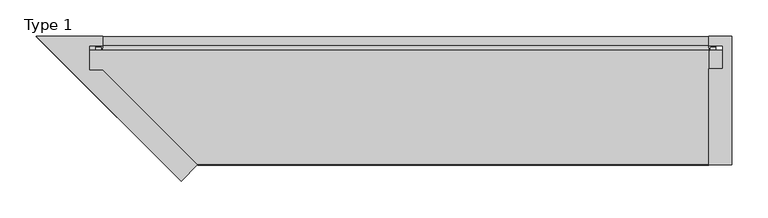
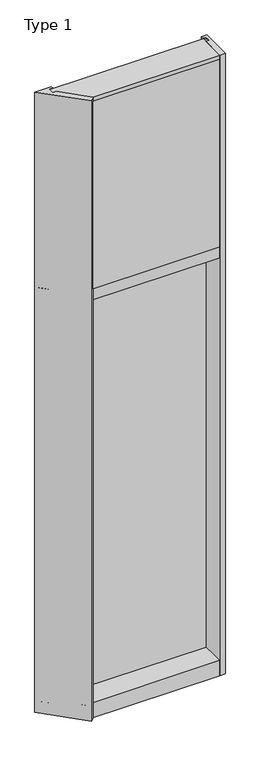
"""IFC4 building model written with IfcOpenShell, lengths in millimetres: plate geometry, Type 1."""

from ifc_helpers import new_model, si_unit, point, frame, frame_2d, origin, place, context, project, spatial, polyline, circle_curve, trimmed, segment, composite_curve, outline, extrude, faceted_brep, source, transform, mapped, element, save


def type_1_7a3458c1(model_context):
    return source(origin(), model_context, "Body", "SolidModel", [
        extrude(outline(polyline([(450.6238151, -130.5814), (418.8738151, -130.5814), (418.8738151, 2.286), (437.9238151, 2.286), (437.9238151, 34.036), (418.8727259, 34.036), (418.8727259, 47.2186), (450.6238151, 47.2186), (450.6238151, -130.5814)])), frame((0.0, 0.0, -57.15), z_axis=(0.0, 0.0, 1.0), x_axis=(1.0, 0.0, 0.0)), (0.0, 0.0, 1.0), 3657.6),
        extrude(outline(composite_curve([segment(polyline([(-418.9503158, 34.0361122), (-419.3612613, 27.686), (-420.3277672, 27.686), (-420.3552746, 31.7563748)]), True, "CONTINUOUS"), segment(trimmed(circle_curve(frame_2d((-420.9902601, 31.7520836)), 0.635), [point((-420.3552746, 31.7563748))], [point((-420.9551793, 32.3861138))], True, "CARTESIAN"), True, "CONTINUOUS"), segment(polyline([(-420.9551793, 32.3861138), (-427.7105402, 32.7598869)]), True, "CONTINUOUS"), segment(trimmed(circle_curve(frame_2d((-427.5279869, 33.7593519)), 1.016), [point((-427.7105402, 32.7598869))], [point((-428.5055655, 34.0361122))], False, "CARTESIAN"), True, "CONTINUOUS"), segment(polyline([(-428.5055655, 34.0361122), (-418.9503158, 34.0361122)]), True, "CONTINUOUS")], self_intersect=False)), frame((0.0, 0.0, 2459.3728643), z_axis=(0.0, 0.0, 1.0), x_axis=(1.0, 0.0, 0.0)), (0.0, 0.0, 1.0), 1134.7271357),
        extrude(outline(composite_curve([segment(polyline([(419.3612613, 27.686), (418.9503158, 34.0361122), (428.5055655, 34.0361122)]), True, "CONTINUOUS"), segment(trimmed(circle_curve(frame_2d((427.5279869, 33.7593519)), 1.016), [point((428.5055655, 34.0361122))], [point((427.7105402, 32.7598869))], False, "CARTESIAN"), True, "CONTINUOUS"), segment(polyline([(427.7105402, 32.7598869), (420.9551793, 32.3861138)]), True, "CONTINUOUS"), segment(trimmed(circle_curve(frame_2d((420.9902601, 31.7520836)), 0.635), [point((420.9551793, 32.3861138))], [point((420.3552746, 31.7563748))], True, "CARTESIAN"), True, "CONTINUOUS"), segment(polyline([(420.3552746, 31.7563748), (420.3277672, 27.686), (419.3612613, 27.686)]), True, "CONTINUOUS")], self_intersect=False)), frame((0.0, 0.0, 2459.3728643), z_axis=(0.0, 0.0, 1.0), x_axis=(1.0, 0.0, 0.0)), (0.0, 0.0, 1.0), 1134.7271357),
        extrude(outline(polyline([(34.0361122, 2459.3728643), (27.686, 2459.3728643), (27.686, 2471.8771952), (34.0361122, 2470.1238955), (34.0361122, 2459.3728643)])), frame((-428.5055655, 0.0, 0.0), z_axis=(1.0, 0.0, 0.0), x_axis=(0.0, 1.0, 0.0)), (0.0, 0.0, 1.0), 857.0111309),
        extrude(outline(polyline([(418.8738151, -48.514), (418.8738151, -131.0159103), (-287.9050651, -131.0159103), (-370.3558463, -48.514), (418.8738151, -48.514)])), frame((0.0, 0.0, 2470.15), z_axis=(0.0, 0.0, 1.0), x_axis=(1.0, 0.0, 0.0)), (0.0, 0.0, 1.0), 1104.9),
        extrude(outline(polyline([(437.9238151, 27.686), (437.9238151, 2.286), (-437.9238151, 2.286), (-437.9238151, 27.686), (437.9238151, 27.686)])), frame((0.0, 0.0, 2451.1), z_axis=(0.0, 0.0, 1.0), x_axis=(1.0, 0.0, 0.0)), (0.0, 0.0, 1.0), 1143.0),
        extrude(outline(composite_curve([segment(trimmed(circle_curve(frame_2d((-420.9913493, 31.7520836)), 0.635), [point((-420.3563638, 31.7563748))], [point((-420.9562685, 32.3861138))], True, "CARTESIAN"), True, "CONTINUOUS"), segment(polyline([(-420.9562685, 32.3861138), (-427.7116294, 32.7598869)]), True, "CONTINUOUS"), segment(trimmed(circle_curve(frame_2d((-427.5290761, 33.7593519)), 1.016), [point((-427.7116294, 32.7598869))], [point((-428.5066864, 34.036))], False, "CARTESIAN"), True, "CONTINUOUS"), segment(polyline([(-428.5066864, 34.036), (-418.9514123, 34.036), (-419.3623505, 27.686), (-420.3288564, 27.686), (-420.3563638, 31.7563748)]), True, "CONTINUOUS")], self_intersect=False)), frame((0.0, 0.0, 20.9709644), z_axis=(0.0, 0.0, 1.0), x_axis=(1.0, 0.0, 0.0)), (0.0, 0.0, 1.0), 2396.4580861),
        extrude(outline(composite_curve([segment(polyline([(419.3623505, 27.686), (418.9514123, 34.036), (428.5066864, 34.036)]), True, "CONTINUOUS"), segment(trimmed(circle_curve(frame_2d((427.5290761, 33.7593519)), 1.016), [point((428.5066864, 34.036))], [point((427.7116294, 32.7598869))], False, "CARTESIAN"), True, "CONTINUOUS"), segment(polyline([(427.7116294, 32.7598869), (420.9562685, 32.3861138)]), True, "CONTINUOUS"), segment(trimmed(circle_curve(frame_2d((420.9913493, 31.7520836)), 0.635), [point((420.9562685, 32.3861138))], [point((420.3563638, 31.7563748))], True, "CARTESIAN"), True, "CONTINUOUS"), segment(polyline([(420.3563638, 31.7563748), (420.3288564, 27.686), (419.3623505, 27.686)]), True, "CONTINUOUS")], self_intersect=False)), frame((0.0, 0.0, 20.9709644), z_axis=(0.0, 0.0, 1.0), x_axis=(1.0, 0.0, 0.0)), (0.0, 0.0, 1.0), 2396.4580861),
        extrude(outline(polyline([(437.9249043, 27.686), (437.9249043, 2.286), (-437.9249043, 2.286), (-437.9249043, 27.686), (437.9249043, 27.686)])), frame((0.0, 0.0, 12.6962001), z_axis=(0.0, 0.0, 1.0), x_axis=(1.0, 0.0, 0.0)), (0.0, 0.0, 1.0), 2413.0037999),
        extrude(outline(polyline([(27.686, 33.4752684), (34.036, 31.7219997), (34.036, 20.9709644), (27.686, 20.9709644), (27.686, 33.4752684)])), frame((-428.5066864, 0.0, 0.0), z_axis=(1.0, 0.0, 0.0), x_axis=(0.0, 1.0, 0.0)), (0.0, 0.0, 1.0), 857.0133729),
        extrude(outline(polyline([(27.6860992, 2417.4309356), (34.0360992, 2417.4309356), (34.0360992, 2406.6798775), (27.6860992, 2404.9266088), (27.6860992, 2417.4309356)])), frame((-428.5066864, 0.0, 0.0), z_axis=(1.0, 0.0, 0.0), x_axis=(0.0, 1.0, 0.0)), (0.0, 0.0, 1.0), 857.0133729),
        faceted_brep([(-511.0038011, 47.2287054, -57.15), (-418.8738151, 47.2287054, -57.15), (-418.8738151, 34.13125, -57.15), (-437.9249043, 34.13125, -57.15), (-437.9249043, 0.0, -57.15), (-418.8738151, 0.0, -57.15), (-288.2935043, -130.5814, -57.15), (-310.7436, -153.0314957, -57.15), (-333.6000957, -130.175, -57.15), (-310.7436, -153.0314957, 3600.45), (-288.2935043, -130.5814, 3600.45), (-418.8738151, 0.0, 3600.45), (-437.9249043, 0.0, 3600.45), (-437.9249043, 34.13125, 3600.45), (-418.8738151, 34.13125, 3600.45), (-418.8738151, 47.2287054, 3600.45), (-511.0038011, 47.2287054, 3600.45), (-333.6000957, -130.175, 3600.45)], [[[0, 1, 2, 3, 4, 5, 6, 7, 8]], [[9, 10, 11, 12, 13, 14, 15, 16, 17]], [[1, 0, 16, 15]], [[4, 3, 13, 12]], [[5, 4, 12, 11]], [[6, 5, 11, 10]], [[7, 6, 10, 9]], [[16, 0, 8, 7, 9, 17]], [[2, 1, 15, 14]], [[3, 2, 14, 13]]]),
        faceted_brep([(418.8738151, -130.0734, 3600.45), (418.8738151, -130.0734, 3575.051832), (418.8738151, 0.0, 3575.051832), (418.8738151, 0.0, 3594.1), (418.8738151, 27.686, 3594.1), (418.8738151, 27.686, 3600.45), (-491.4610957, 27.686, 3600.45), (-333.7016957, -130.0734, 3600.45), (-491.4610957, 27.686, 3594.1), (-463.7750957, 0.0, 3594.1), (-463.7750957, 0.0, 3575.051832), (-333.7016957, -130.0734, 3575.051832)], [[[0, 1, 2, 3, 4, 5]], [[0, 5, 6, 7]], [[5, 4, 8, 6]], [[4, 3, 9, 8]], [[3, 2, 10, 9]], [[2, 1, 11, 10]], [[1, 0, 7, 11]], [[7, 6, 8, 9, 10, 11]]]),
        faceted_brep([(418.8738151, 0.0, 31.75), (418.8738151, -130.175, 31.75), (418.8738151, -130.175, -57.15), (418.8738151, 47.2186148, -57.15), (418.8738151, 47.2186148, 31.751832), (418.8738151, 34.13125, 31.751832), (418.8738151, 34.13125, 12.7), (418.8738151, 0.0, 12.7), (-463.7750957, 0.0, 12.7), (-463.7750957, 0.0, 31.75), (-497.9063457, 34.13125, 12.7), (-497.9063457, 34.13125, 31.751832), (-510.9937106, 47.2186148, 31.751832), (-510.9937106, 47.2186148, -57.15), (-333.6000957, -130.175, -57.15), (-333.6000957, -130.175, 31.75)], [[[0, 1, 2, 3, 4, 5, 6, 7]], [[0, 7, 8, 9]], [[7, 6, 10, 8]], [[6, 5, 11, 10]], [[5, 4, 12, 11]], [[4, 3, 13, 12]], [[3, 2, 14, 13]], [[2, 1, 15, 14]], [[1, 0, 9, 15]], [[9, 8, 10, 11, 12, 13, 14, 15]]]),
        faceted_brep([(-463.7750957, 0.0, 2470.15), (-463.7750957, 0.0, 2451.1), (-497.9063457, 34.13125, 2451.1), (-497.9063457, 34.13125, 2470.1462001), (-510.6063457, 46.83125, 2470.1462001), (-510.6063457, 46.83125, 2406.6462001), (-497.9063457, 34.13125, 2406.6462001), (-497.9063457, 34.13125, 2425.7), (-463.7750957, 0.0, 2425.7), (-463.7750957, 0.0, 2406.65), (-333.6000957, -130.175, 2406.65), (-333.6000957, -130.175, 2470.15), (418.8738151, 0.0, 2470.15), (418.8738151, -130.175, 2470.15), (418.8738151, -130.175, 2406.65), (418.8738151, 0.0, 2406.65), (418.8738151, 0.0, 2425.7), (418.8738151, 34.13125, 2425.7), (418.8738151, 34.13125, 2406.6462001), (418.8738151, 46.83125, 2406.6462001), (418.8738151, 46.83125, 2470.1462001), (418.8738151, 34.13125, 2470.1462001), (418.8738151, 34.13125, 2451.1), (418.8738151, 0.0, 2451.1)], [[[0, 1, 2, 3, 4, 5, 6, 7, 8, 9, 10, 11]], [[12, 13, 14, 15, 16, 17, 18, 19, 20, 21, 22, 23]], [[12, 23, 1, 0]], [[23, 22, 2, 1]], [[22, 21, 3, 2]], [[21, 20, 4, 3]], [[20, 19, 5, 4]], [[19, 18, 6, 5]], [[18, 17, 7, 6]], [[17, 16, 8, 7]], [[16, 15, 9, 8]], [[15, 14, 10, 9]], [[14, 13, 11, 10]], [[13, 12, 0, 11]]]),
    ])


if __name__ == "__main__":
    model = new_model("IFC4")
    model_context = context("Model", 3, world=origin())
    ifc_project = project(units=[si_unit("LENGTHUNIT", "METRE", prefix="MILLI")], contexts=[model_context])
    site = spatial("IfcSite", under=ifc_project)
    building = spatial("IfcBuilding", under=site)
    placement = place(None, origin())
    type_1_shape = type_1_7a3458c1(model_context)
    element("IfcPlate", 1, ObjectType="Type 1", at=placement, inside=building, context=model_context, shape_type="MappedRepresentation", body=[
        mapped(type_1_shape, transform((0.0, 0.0, 0.0), x_axis=(1.0, 0.0, 0.0), y_axis=(0.0, 1.0, 0.0), z_axis=(0.0, 0.0, 1.0))),
    ])
    save(model, "model.ifc")
